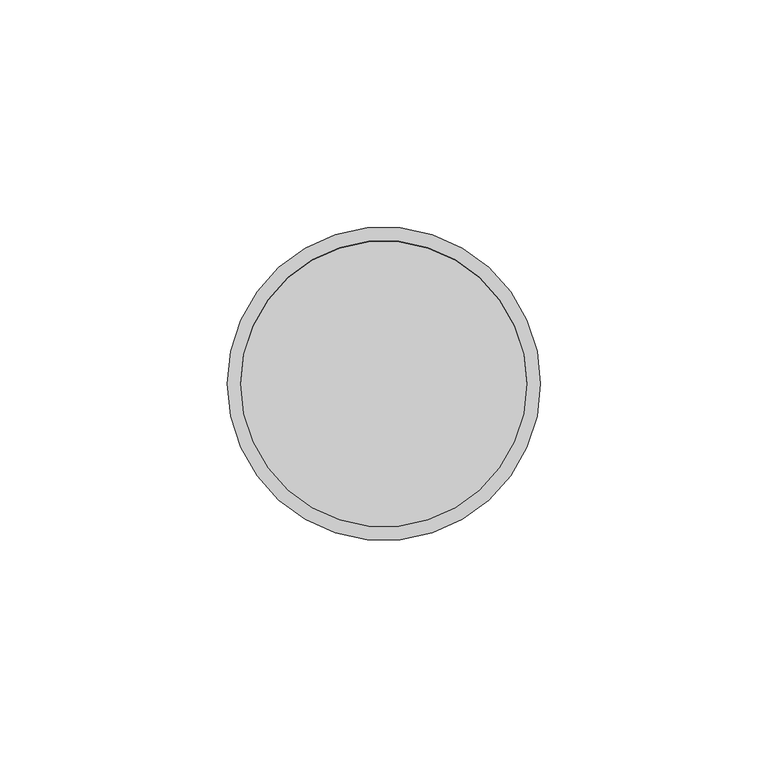
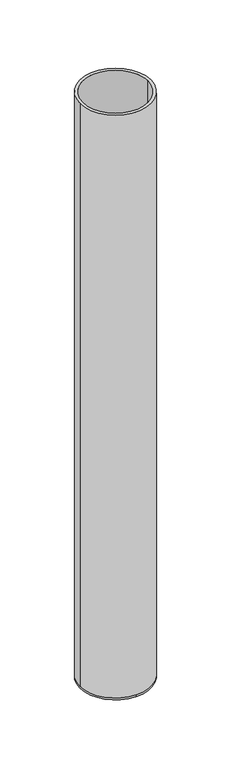
"""IFC4 building model written with IfcOpenShell, lengths in millimetres: beam geometry."""

from ifc_helpers import new_model, si_unit, frame, origin, place, context, project, spatial, polyline, circle_curve, source, transform, mapped, element, save
from ifc_brep_helpers import plane_surface, cylinder_surface, revolved_surface, advanced_brep


def beam_869472b0(model_context):
    return source(origin(), model_context, "Body", "AdvancedBrep", [
        advanced_brep(
        [(34.5, 0.0, 0.0), (-34.5, 0.0, 0.0), (31.5, 0.0, 0.0), (-31.5, 0.0, 0.0), (31.5, 0.0, -598.0), (-31.5, 0.0, -598.0), (34.5, 0.0, -598.0), (0.0, 34.5, -598.0), (-34.5, 0.0, -598.0), (0.0, -34.5, -598.0), (0.0, 34.5, -600.0), (0.0, -34.5, -600.0)],
        [
            (0, 1, circle_curve(frame((0.0, 0.0, 0.0), z_axis=(0.0, 0.0, 1.0), x_axis=(-1.0, 0.0, 0.0)), 34.5)),
            (1, 0, circle_curve(frame((0.0, 0.0, 0.0), z_axis=(0.0, 0.0, 1.0), x_axis=(-1.0, 0.0, 0.0)), 34.5)),
            (2, 3, circle_curve(frame((0.0, 0.0, 0.0), z_axis=(0.0, 0.0, -1.0), x_axis=(-1.0, 0.0, 0.0)), 31.5)),
            (3, 2, circle_curve(frame((0.0, 0.0, 0.0), z_axis=(0.0, 0.0, -1.0), x_axis=(-1.0, 0.0, 0.0)), 31.5)),
            (2, 4),
            (4, 5, circle_curve(frame((0.0, 0.0, -598.0), z_axis=(0.0, 0.0, -1.0), x_axis=(-1.0, 0.0, 0.0)), 31.5)),
            (5, 3),
            (5, 4, circle_curve(frame((0.0, 0.0, -598.0), z_axis=(0.0, 0.0, -1.0), x_axis=(-1.0, 0.0, 0.0)), 31.5)),
            (0, 6),
            (6, 7, circle_curve(frame((0.0, 0.0, -598.0), z_axis=(0.0, 0.0, 1.0), x_axis=(-1.0, 0.0, 0.0)), 34.5)),
            (7, 8, circle_curve(frame((0.0, 0.0, -598.0), z_axis=(0.0, 0.0, 1.0), x_axis=(-1.0, 0.0, 0.0)), 34.5)),
            (8, 1),
            (8, 9, circle_curve(frame((0.0, 0.0, -598.0), z_axis=(0.0, 0.0, 1.0), x_axis=(-1.0, 0.0, 0.0)), 34.5)),
            (9, 6, circle_curve(frame((0.0, 0.0, -598.0), z_axis=(0.0, 0.0, 1.0), x_axis=(-1.0, 0.0, 0.0)), 34.5)),
            (10, 11, circle_curve(frame((0.0, 0.0, -600.0), z_axis=(0.0, 0.0, -1.0), x_axis=(0.0, -1.0, 0.0)), 34.5)),
            (11, 10, circle_curve(frame((0.0, 0.0, -600.0), z_axis=(0.0, 0.0, -1.0), x_axis=(0.0, -1.0, 0.0)), 34.5)),
            (11, 9),
            (7, 10),
        ],
        [
            plane_surface(frame((0.0, 0.0, 0.0), z_axis=(0.0, 0.0, 1.0), x_axis=(0.0, -1.0, 0.0))),
            revolved_surface(polyline([(-31.5, 0.0, 0.0), (-31.5, 0.0, -598.0)]), (0.0, 0.0, -598.0), (0.0, 0.0, 1.0)),
            cylinder_surface(frame((0.0, 0.0, -598.0), z_axis=(0.0, 0.0, -1.0), x_axis=(-1.0, 0.0, 0.0)), 34.5),
            plane_surface(frame((0.0, 0.0, -598.0), z_axis=(0.0, 0.0, 1.0), x_axis=(0.0, -1.0, 0.0))),
            plane_surface(frame((0.0, 0.0, -600.0), z_axis=(0.0, 0.0, -1.0), x_axis=(0.0, -1.0, 0.0))),
            cylinder_surface(frame((0.0, 0.0, -598.0), z_axis=(0.0, 0.0, 1.0), x_axis=(0.0, -1.0, 0.0)), 34.5),
        ],
        [
            (0, [[1, 2], [3, 4]]),
            (1, [[-3, 5, 6, 7]]),
            (1, [[-4, -7, 8, -5]]),
            (2, [[-1, 9, 10, 11, 12]]),
            (2, [[-2, -12, 13, 14, -9]]),
            (3, [[-6, -8]]),
            (4, [[15, 16]]),
            (5, [[-16, 17, -13, -11, 18]]),
            (5, [[-15, -18, -10, -14, -17]]),
        ],
    ),
    ])


if __name__ == "__main__":
    model = new_model("IFC4")
    model_context = context("Model", 3, world=origin())
    ifc_project = project(units=[si_unit("LENGTHUNIT", "METRE", prefix="MILLI")], contexts=[model_context])
    site = spatial("IfcSite", under=ifc_project)
    building = spatial("IfcBuilding", under=site)
    placement = place(None, origin())
    beam_shape = beam_869472b0(model_context)
    element("IfcBeam", 1, at=placement, inside=building, context=model_context, shape_type="MappedRepresentation", body=[
        mapped(beam_shape, transform((0.0, 0.0, 0.0), x_axis=(1.0, 0.0, 0.0), y_axis=(0.0, 1.0, 0.0), z_axis=(0.0, 0.0, 1.0))),
    ])
    save(model, "model.ifc")
